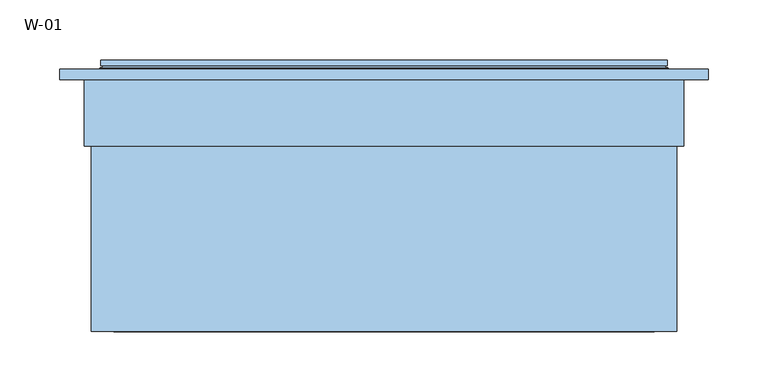
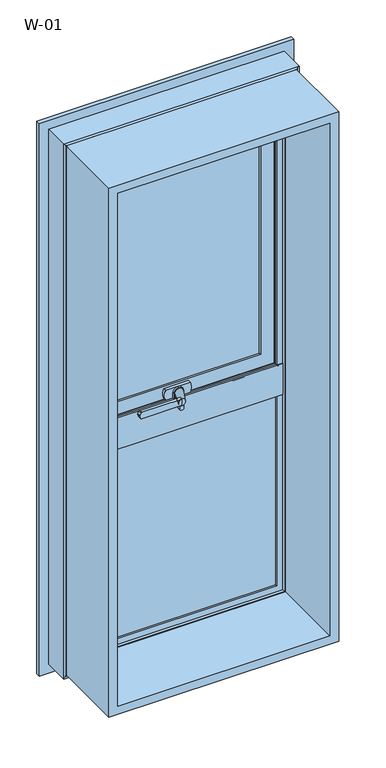
"""IFC4 building model written with IfcOpenShell, lengths in millimetres: window geometry, W-01."""

from ifc_helpers import new_model, si_unit, point, frame, frame_2d, origin, place, context, project, spatial, polyline, circle_curve, ellipse_curve, trimmed, segment, composite_curve, outline, extrude, source, transform, mapped, element, save
from ifc_brep_helpers import plane_surface, cylinder_surface, revolved_surface, spline_surface, advanced_brep


def w_01_c408fd17(model_context):
    return source(origin(), model_context, "Body", "SolidModel", [
        extrude(outline(polyline([(192.4, 81.9927036), (-192.4, 81.9927036), (-192.4, 107.9927036), (192.4, 107.9927036), (192.4, 81.9927036)])), frame((0.0, 0.0, 1052.4), z_axis=(0.0, 0.0, 1.0), x_axis=(1.0, 0.0, 0.0)), (0.0, 0.0, 1.0), 590.2),
        extrude(outline(polyline([(1693.8, 243.8), (1693.8, -243.8), (506.2, -243.8), (506.2, 243.8), (1693.8, 243.8)]), holes=[polyline([(524.7, 225.3), (524.7, -225.3), (1675.3, -225.3), (1675.3, 225.3), (524.7, 225.3)])]), frame((0.0, -100.0, 0.0), z_axis=(0.0, 1.0, 0.0), x_axis=(0.0, 0.0, 1.0)), (0.0, 0.0, 1.0), 165.9999813),
        extrude(outline(polyline([(223.0, 74.4), (-223.0, 74.4), (-223.0, 100.4), (223.0, 100.4), (223.0, 74.4)])), frame((0.0, 0.0, 527.0), z_axis=(0.0, 0.0, 1.0), x_axis=(1.0, 0.0, 0.0)), (0.0, 0.0, 1.0), 451.0),
        advanced_brep(
        [(-179.4, 115.3228058, 1629.4), (-177.2575034, 107.9927036, 1627.2575034), (-177.2575034, 107.9927036, 1067.7424966), (-179.4, 115.3228058, 1065.6), (-179.4, 126.5998961, 1629.4), (-179.4, 126.5998961, 1065.6), (-199.4, 107.9927036, 1649.4), (-199.4, 126.5998961, 1649.4), (-199.4, 126.5998961, 1045.6), (-199.4, 107.9927036, 1045.6), (177.2575034, 107.9927036, 1067.7424966), (179.4, 115.3228058, 1065.6), (179.4, 126.5998961, 1065.6), (199.4, 126.5998961, 1045.6), (199.4, 107.9927036, 1045.6), (177.2575034, 107.9927036, 1627.2575034), (179.4, 115.3228058, 1629.4), (179.4, 126.5998961, 1629.4), (199.4, 126.5998961, 1649.4), (199.4, 107.9927036, 1649.4)],
        [
            (0, 1, ellipse_curve(frame((-159.7925883, 117.0756419, 1609.7925883), z_axis=(0.7071067811865475, 0.0, 0.7071067811865475), x_axis=(0.7071067811865474, 0.0, -0.7071067811865476)), 27.839649, 19.6856046)),
            (1, 2),
            (2, 3, ellipse_curve(frame((-159.7925883, 117.0756419, 1085.2074117), z_axis=(0.7071067811865475, 0.0, -0.7071067811865475), x_axis=(-0.7071067811865474, 0.0, -0.7071067811865476)), 27.839649, 19.6856046)),
            (3, 0),
            (4, 0),
            (3, 5),
            (5, 4),
            (6, 7),
            (7, 8),
            (8, 9),
            (9, 6),
            (2, 10),
            (10, 11, ellipse_curve(frame((159.7925883, 117.0756419, 1085.2074117), z_axis=(0.7071067811865475, 0.0, 0.7071067811865475), x_axis=(0.7071067811865476, 0.0, -0.7071067811865474)), 27.839649, 19.6856046)),
            (11, 3),
            (11, 12),
            (12, 5),
            (8, 13),
            (13, 14),
            (14, 9),
            (10, 15),
            (15, 16, ellipse_curve(frame((159.7925883, 117.0756419, 1609.7925883), z_axis=(-0.7071067811865475, 0.0, 0.7071067811865475), x_axis=(0.7071067811865474, 0.0, 0.7071067811865476)), 27.839649, 19.6856046)),
            (16, 11),
            (16, 17),
            (17, 12),
            (13, 18),
            (18, 19),
            (19, 14),
            (19, 6),
            (1, 15),
            (0, 16),
            (4, 17),
            (7, 18),
        ],
        [
            revolved_surface(polyline([(-179.4781929, 117.0756419, 1065.5218071062468), (-179.4781929, 117.0756419, 1629.4781928937534)]), (-159.7925883, 117.0756419, 1649.4), (0.0, 0.0, -1.0)),
            plane_surface(frame((-179.4, 115.3228058, 1629.4), z_axis=(1.0, 0.0, 0.0), x_axis=(0.0, 0.0, -1.0))),
            plane_surface(frame((-199.4, 126.5998961, 1649.4), z_axis=(-1.0, 0.0, 0.0), x_axis=(0.0, 0.0, -1.0))),
            revolved_surface(polyline([(179.4781928937533, 117.0756419, 1065.5218071), (-179.4781928937533, 117.0756419, 1065.5218071)]), (-199.4, 117.0756419, 1085.2074117), (1.0, 0.0, 0.0)),
            plane_surface(frame((-179.4, 115.3228058, 1065.6), z_axis=(0.0, 0.0, 1.0), x_axis=(1.0, 0.0, 0.0))),
            plane_surface(frame((-199.4, 126.5998961, 1045.6), z_axis=(0.0, 0.0, -1.0), x_axis=(1.0, 0.0, 0.0))),
            revolved_surface(polyline([(179.4781929, 117.0756419, 1629.4781928937532), (179.4781929, 117.0756419, 1065.5218071062468)]), (159.7925883, 117.0756419, 1045.6), (0.0, 0.0, 1.0)),
            plane_surface(frame((179.4, 115.3228058, 1065.6), z_axis=(-1.0, 0.0, 0.0), x_axis=(0.0, 0.0, 1.0))),
            plane_surface(frame((199.4, 126.5998961, 1045.6), z_axis=(1.0, 0.0, 0.0), x_axis=(0.0, 0.0, 1.0))),
            plane_surface(frame((199.4, 107.9927036, 1649.4), z_axis=(0.0, -1.0, 0.0), x_axis=(-1.0, 0.0, 0.0))),
            revolved_surface(polyline([(-179.4781928937533, 117.0756419, 1629.4781929), (179.4781928937533, 117.0756419, 1629.4781929)]), (199.4, 117.0756419, 1609.7925883), (-1.0, 0.0, 0.0)),
            plane_surface(frame((179.4, 115.3228058, 1629.4), z_axis=(0.0, 0.0, -1.0), x_axis=(-1.0, 0.0, 0.0))),
            plane_surface(frame((179.4, 126.5998961, 1629.4), z_axis=(0.0, 1.0, 0.0), x_axis=(-1.0, 0.0, 0.0))),
            plane_surface(frame((199.4, 126.5998961, 1649.4), z_axis=(0.0, 0.0, 1.0), x_axis=(-1.0, 0.0, 0.0))),
        ],
        [
            (0, [[1, 2, 3, 4]]),
            (1, [[5, -4, 6, 7]]),
            (2, [[8, 9, 10, 11]]),
            (3, [[-3, 12, 13, 14]]),
            (4, [[-6, -14, 15, 16]]),
            (5, [[-10, 17, 18, 19]]),
            (6, [[-13, 20, 21, 22]]),
            (7, [[-15, -22, 23, 24]]),
            (8, [[-18, 25, 26, 27]]),
            (9, [[-19, -27, 28, -11], [29, -20, -12, -2]]),
            (10, [[-21, -29, -1, 30]]),
            (11, [[-23, -30, -5, 31]]),
            (12, [[32, -25, -17, -9], [-16, -24, -31, -7]]),
            (13, [[-26, -32, -8, -28]]),
        ],
    ),
        extrude(outline(composite_curve([segment(polyline([(1026.7, -8.432005), (1026.7, -5.567995)]), True, "CONTINUOUS"), segment(trimmed(circle_curve(frame_2d((1029.7, -5.567995)), 3.0), [point((1026.7, -5.567995))], [point((1029.5429921, -2.5721064))], False, "CARTESIAN"), True, "CONTINUOUS"), segment(polyline([(1029.5429921, -2.5721064), (1050.0, -1.5), (1050.0, -12.5), (1029.5429921, -11.4278936)]), True, "CONTINUOUS"), segment(trimmed(circle_curve(frame_2d((1029.7, -8.432005)), 3.0), [point((1029.5429921, -11.4278936))], [point((1026.7, -8.432005))], False, "CARTESIAN"), True, "CONTINUOUS")], self_intersect=False)), frame((0.0, 42.4998877, 0.0), z_axis=(0.0, 1.0, 0.0), x_axis=(0.0, 0.0, 1.0)), (0.0, 0.0, 1.0), 4.9),
        extrude(outline(composite_curve([segment(polyline([(1022.7, -3.7223739), (1022.7, 1.7223739)]), True, "CONTINUOUS"), segment(trimmed(circle_curve(frame_2d((1025.7, 1.7223739)), 3.0), [point((1022.7, 1.7223739))], [point((1025.5429921, 4.7182625))], False, "CARTESIAN"), True, "CONTINUOUS"), segment(polyline([(1025.5429921, 4.7182625), (1050.0, 6.0), (1050.0, -8.0), (1025.5429921, -6.7182625)]), True, "CONTINUOUS"), segment(trimmed(circle_curve(frame_2d((1025.7, -3.7223739)), 3.0), [point((1025.5429921, -6.7182625))], [point((1022.7, -3.7223739))], False, "CARTESIAN"), True, "CONTINUOUS")], self_intersect=False)), frame((0.0, 59.2998877, 0.0), z_axis=(0.0, 1.0, 0.0), x_axis=(0.0, 0.0, 1.0)), (0.0, 0.0, 1.0), 5.3),
        extrude(outline(composite_curve([segment(trimmed(circle_curve(frame_2d((1055.2, -96.7659341)), 2.0), [point((1057.2, -96.7659341))], [point((1055.9427814, -98.6228875))], False, "CARTESIAN"), True, "CONTINUOUS"), segment(polyline([(1055.9427814, -98.6228875), (1051.4855627, -100.4057749)]), True, "CONTINUOUS"), segment(trimmed(circle_curve(frame_2d((1050.0, -96.6918682)), 4.0), [point((1051.4855627, -100.4057749))], [point((1048.5144373, -100.4057749))], False, "CARTESIAN"), True, "CONTINUOUS"), segment(polyline([(1048.5144373, -100.4057749), (1044.0572186, -98.6228875)]), True, "CONTINUOUS"), segment(trimmed(circle_curve(frame_2d((1044.8, -96.7659341)), 2.0), [point((1044.0572186, -98.6228875))], [point((1042.8, -96.7659341))], False, "CARTESIAN"), True, "CONTINUOUS"), segment(polyline([(1042.8, -96.7659341), (1042.8, -11.0), (1057.2, -11.0), (1057.2, -96.7659341)]), True, "CONTINUOUS")], self_intersect=False)), frame((0.0, 34.5998877, 0.0), z_axis=(0.0, 1.0, 0.0), x_axis=(0.0, 0.0, 1.0)), (0.0, 0.0, 1.0), 7.0),
        extrude(outline(composite_curve([segment(trimmed(circle_curve(frame_2d((1050.0, 0.0)), 7.0), [point((1050.0, 7.0))], [point((1050.0, -7.0))], False, "CARTESIAN"), True, "CONTINUOUS"), segment(trimmed(circle_curve(frame_2d((1050.0, 0.0)), 7.0), [point((1050.0, -7.0))], [point((1050.0, 7.0))], False, "CARTESIAN"), True, "CONTINUOUS")], self_intersect=False)), frame((0.0, 64.5998877, 0.0), z_axis=(0.0, 1.0, 0.0), x_axis=(0.0, 0.0, 1.0)), (0.0, 0.0, 1.0), 1.5),
        advanced_brep(
        [(9.0, 64.5998877, 1050.0), (-3.5, 34.5998877, 1050.0), (-18.5, 34.5998877, 1050.0), (-9.0, 64.5998877, 1050.0)],
        [
            (0, 1),
            (1, 2, circle_curve(frame((-11.0, 34.5998877, 1050.0), z_axis=(0.0, 1.0, 0.0), x_axis=(-1.0, 0.0, 0.0)), 7.5)),
            (2, 3),
            (3, 0, circle_curve(frame((0.0, 64.5998877, 1050.0), z_axis=(0.0, -1.0, 0.0), x_axis=(-1.0, 0.0, 0.0)), 9.0)),
            (1, 2, circle_curve(frame((-11.0, 34.5998877, 1050.0), z_axis=(0.0, -1.0, 0.0), x_axis=(-1.0, 0.0, 0.0)), 7.5)),
            (3, 0, circle_curve(frame((0.0, 64.5998877, 1050.0), z_axis=(0.0, 1.0, 0.0), x_axis=(-1.0, 0.0, 0.0)), 9.0)),
        ],
        [
            spline_surface(1, 2, [[(9.0, 64.5998877, 1050.0), (9.0, 64.5998877, 1041.0), (0.0, 64.5998877, 1041.0), (-9.0, 64.5998877, 1041.0), (-9.0, 64.5998877, 1050.0)], [(-3.5, 34.5998877, 1050.0), (-3.5, 34.5998877, 1042.5), (-11.0, 34.5998877, 1042.5), (-18.5, 34.5998877, 1042.5), (-18.5, 34.5998877, 1050.0)]], [2, 2], [3, 2, 3], [0.0, 1.0], [0.0, 1.0, 2.0], weights=[[1.0, 0.7071067811865476, 1.0, 0.7071067811865476, 1.0], [1.0, 0.7071067811865476, 1.0, 0.7071067811865476, 1.0]]),
            plane_surface(frame((-11.0, 34.5998877, 1050.0), z_axis=(0.0, -1.0, 0.0), x_axis=(0.0, 0.0, -1.0))),
            plane_surface(frame((0.0, 64.5998877, 1050.0), z_axis=(0.0, 1.0, 0.0), x_axis=(0.0, 0.0, -1.0))),
            spline_surface(1, 2, [[(-9.0, 64.5998877, 1050.0), (-9.0, 64.5998877, 1059.0), (0.0, 64.5998877, 1059.0), (9.0, 64.5998877, 1059.0), (9.0, 64.5998877, 1050.0)], [(-18.5, 34.5998877, 1050.0), (-18.5, 34.5998877, 1057.5), (-11.0, 34.5998877, 1057.5), (-3.5, 34.5998877, 1057.5), (-3.5, 34.5998877, 1050.0)]], [2, 2], [3, 2, 3], [0.0, 1.0], [0.0, 1.0, 2.0], weights=[[1.0, 0.7071067811865476, 1.0, 0.7071067811865476, 1.0], [1.0, 0.7071067811865476, 1.0, 0.7071067811865476, 1.0]]),
        ],
        [
            (0, [[1, 2, 3, 4]]),
            (1, [[5, -2]]),
            (2, [[-4, 6]]),
            (3, [[-3, -5, -1, -6]]),
        ],
    ),
        extrude(outline(composite_curve([segment(trimmed(circle_curve(frame_2d((1050.0, 0.0)), 10.6), [point((1050.0, 10.6))], [point((1050.0, -10.6))], False, "CARTESIAN"), True, "CONTINUOUS"), segment(polyline([(1050.0, -10.6), (1038.95, -10.6), (1038.95, 10.6), (1050.0, 10.6)]), True, "CONTINUOUS")], self_intersect=False)), frame((0.0, 66.0998877, 0.0), z_axis=(0.0, 1.0, 0.0), x_axis=(0.0, 0.0, 1.0)), (0.0, 0.0, 1.0), 2.8),
        extrude(outline(composite_curve([segment(polyline([(1038.95, -26.0), (1038.95, 26.0)]), True, "CONTINUOUS"), segment(trimmed(circle_curve(frame_2d((1050.0, 3.2967472)), 25.2495582), [point((1038.95, 26.0))], [point((1061.05, 26.0))], False, "CARTESIAN"), True, "CONTINUOUS"), segment(polyline([(1061.05, 26.0), (1061.05, -26.0)]), True, "CONTINUOUS"), segment(trimmed(circle_curve(frame_2d((1050.0, -3.2967472)), 25.2495582), [point((1061.05, -26.0))], [point((1038.95, -26.0))], False, "CARTESIAN"), True, "CONTINUOUS")], self_intersect=False)), frame((0.0, 68.8998877, 0.0), z_axis=(0.0, 1.0, 0.0), x_axis=(0.0, 0.0, 1.0)), (0.0, 0.0, 1.0), 6.7),
        advanced_brep(
        [(235.8588651, 121.9998959, 1685.8588651), (235.8588651, 121.9998959, 1009.1411349), (235.8588651, 126.5998959, 1009.1411349), (235.8588651, 126.5998959, 1685.8588651), (-235.8588651, 126.5998959, 1685.8588651), (-235.8588651, 126.5998959, 1009.1411349), (199.3588651, 126.5998959, 1649.3588651), (-199.3588651, 126.5998959, 1649.3588651), (-199.3588651, 126.5998959, 1045.6411349), (199.3588651, 126.5998959, 1045.6411349), (-235.8588651, 121.9998959, 1009.1411349), (-235.8588651, 121.9998959, 1685.8588651), (-233.7537664, 121.9998959, 1683.7537664), (233.7537664, 121.9998959, 1683.7537664), (233.7537664, 121.9998959, 1011.2462336), (-233.7537664, 121.9998959, 1011.2462336), (236.4637148, 119.9946704, 1686.4637148), (236.4637148, 119.9946704, 1008.5362852), (-236.4637148, 119.9946704, 1008.5362852), (237.2086873, 118.9999375, 1687.2086873), (237.2086873, 118.9999375, 1007.7913127), (-237.2086873, 118.9999375, 1007.7913127), (-237.2086873, 118.9999375, 1687.2086873), (-218.3588678, 118.9999375, 1668.3588678), (218.3588678, 118.9999375, 1668.3588678), (218.3588678, 118.9999375, 1026.6411322), (-218.3588678, 118.9999375, 1026.6411322), (218.3588678, 76.0998843, 1668.3588678), (218.3588678, 76.0998843, 1026.6411322), (-218.3588678, 76.0998843, 1026.6411322), (217.8588679, 75.5998845, 1667.8588679), (217.8588679, 75.5998845, 1027.1411321), (-217.8588679, 75.5998845, 1027.1411321), (218.144223, 74.6078109, 1668.144223), (218.144223, 74.6078109, 1026.855777), (-218.144223, 74.6078109, 1026.855777), (215.4347904, 72.6034283, 1665.4347904), (215.4347904, 72.6034283, 1029.5652096), (-215.4347904, 72.6034283, 1029.5652096), (-215.4347904, 72.6034283, 1665.4347904), (-212.0349667, 72.6034283, 1662.0349667), (212.0349667, 72.6034283, 1662.0349667), (212.0349667, 72.6034283, 1032.9650333), (-212.0349667, 72.6034283, 1032.9650333), (208.8054323, 74.6078109, 1658.8054323), (208.8054323, 74.6078109, 1036.1945677), (-208.8054323, 74.6078109, 1036.1945677), (208.340576, 75.5998877, 1658.340576), (208.340576, 75.5998877, 1036.659424), (-208.340576, 75.5998877, 1036.659424), (-208.340576, 75.5998877, 1658.340576), (-179.3588709, 75.5998877, 1629.3588709), (179.3588709, 75.5998877, 1629.3588709), (179.3588709, 75.5998877, 1065.6411291), (-179.3588709, 75.5998877, 1065.6411291), (179.3588709, 80.1998877, 1629.3588709), (179.3588709, 80.1998877, 1065.6411291), (-179.3588709, 80.1998877, 1065.6411291), (-199.3588651, 80.1998877, 1649.3588651), (199.3588651, 80.1998877, 1649.3588651), (199.3588651, 80.1998877, 1045.6411349), (-199.3588651, 80.1998877, 1045.6411349), (-179.3588709, 80.1998877, 1629.3588709), (-236.4637148, 119.9946704, 1686.4637148), (-218.3588678, 76.0998843, 1668.3588678), (-217.8588679, 75.5998845, 1667.8588679), (-218.144223, 74.6078109, 1668.144223), (-208.8054323, 74.6078109, 1658.8054323)],
        [
            (0, 1),
            (1, 2),
            (2, 3),
            (3, 0),
            (4, 3),
            (2, 5),
            (5, 4),
            (6, 7),
            (7, 8),
            (8, 9),
            (9, 6),
            (1, 10),
            (10, 5),
            (0, 11),
            (11, 10),
            (12, 13),
            (13, 14),
            (14, 15),
            (15, 12),
            (16, 17),
            (17, 14, ellipse_curve(frame((237.5848432, 124.3435951, 1007.4151568), z_axis=(-0.7071067811865475, 0.0, -0.7071067811865475), x_axis=(0.7071067811865474, 0.0, -0.7071067811865476)), 6.3513896, 4.4911107)),
            (13, 16, ellipse_curve(frame((237.5848432, 124.3435951, 1687.5848432), z_axis=(-0.7071067811865475, 0.0, 0.7071067811865475), x_axis=(-0.7071067811865474, 0.0, -0.7071067811865476)), 6.3513896, 4.4911107)),
            (17, 18),
            (18, 15, ellipse_curve(frame((-237.5848432, 124.3435951, 1007.4151568), z_axis=(-0.7071067811865475, 0.0, 0.7071067811865475), x_axis=(-0.7071067811865476, 0.0, -0.7071067811865474)), 6.3513896, 4.4911107)),
            (19, 20),
            (20, 17),
            (16, 19),
            (20, 21),
            (21, 18),
            (19, 22),
            (22, 21),
            (23, 24),
            (24, 25),
            (25, 26),
            (26, 23),
            (27, 28),
            (28, 25),
            (24, 27),
            (28, 29),
            (29, 26),
            (30, 31),
            (31, 28, ellipse_curve(frame((217.8588679, 76.0998843, 1027.1411321), z_axis=(0.7071067811865475, 0.0, 0.7071067811865475), x_axis=(-0.7071067811865474, 0.0, 0.7071067811865476)), 0.7071066, 0.4999999)),
            (27, 30, ellipse_curve(frame((217.8588679, 76.0998843, 1667.8588679), z_axis=(0.7071067811865475, 0.0, -0.7071067811865475), x_axis=(0.7071067811865474, 0.0, 0.7071067811865476)), 0.7071066, 0.4999999)),
            (31, 32),
            (32, 29, ellipse_curve(frame((-217.8588679, 76.0998843, 1027.1411321), z_axis=(0.7071067811865475, 0.0, -0.7071067811865475), x_axis=(0.7071067811865476, 0.0, 0.7071067811865474)), 0.7071066, 0.4999999)),
            (33, 34),
            (34, 31),
            (30, 33),
            (34, 35),
            (35, 32),
            (36, 37),
            (37, 34, ellipse_curve(frame((219.2653514, 70.2588862, 1025.7346486), z_axis=(-0.7071067811865475, 0.0, -0.7071067811865475), x_axis=(0.7071067811865474, 0.0, -0.7071067811865476)), 6.3513896, 4.4911107)),
            (33, 36, ellipse_curve(frame((219.2653514, 70.2588862, 1669.2653514), z_axis=(-0.7071067811865475, 0.0, 0.7071067811865475), x_axis=(-0.7071067811865474, 0.0, -0.7071067811865476)), 6.3513896, 4.4911107)),
            (37, 38),
            (38, 35, ellipse_curve(frame((-219.2653514, 70.2588862, 1025.7346486), z_axis=(-0.7071067811865475, 0.0, 0.7071067811865475), x_axis=(-0.7071067811865476, 0.0, -0.7071067811865474)), 6.3513896, 4.4911107)),
            (36, 39),
            (39, 38),
            (40, 41),
            (41, 42),
            (42, 43),
            (43, 40),
            (44, 45),
            (45, 42, ellipse_curve(frame((208.5540914, 70.5988781, 1036.4459086), z_axis=(-0.7071067811865475, 0.0, -0.7071067811865475), x_axis=(0.7071067811865474, 0.0, -0.7071067811865476)), 5.6806187, 4.016804)),
            (41, 44, ellipse_curve(frame((208.5540914, 70.5988781, 1658.5540914), z_axis=(-0.7071067811865475, 0.0, 0.7071067811865475), x_axis=(-0.7071067811865474, 0.0, -0.7071067811865476)), 5.6806187, 4.016804)),
            (45, 46),
            (46, 43, ellipse_curve(frame((-208.5540914, 70.5988781, 1036.4459086), z_axis=(-0.7071067811865475, 0.0, 0.7071067811865475), x_axis=(-0.7071067811865476, 0.0, -0.7071067811865474)), 5.6806187, 4.016804)),
            (47, 48),
            (48, 45),
            (44, 47),
            (48, 49),
            (49, 46),
            (47, 50),
            (50, 49),
            (51, 52),
            (52, 53),
            (53, 54),
            (54, 51),
            (55, 56),
            (56, 53),
            (52, 55),
            (56, 57),
            (57, 54),
            (58, 59),
            (59, 60),
            (60, 61),
            (61, 58),
            (55, 62),
            (62, 57),
            (9, 60),
            (59, 6),
            (8, 61),
            (11, 4),
            (18, 63),
            (63, 12, ellipse_curve(frame((-237.5848432, 124.3435951, 1687.5848432), z_axis=(0.7071067811865475, 0.0, 0.7071067811865475), x_axis=(-0.7071067811865474, 0.0, 0.7071067811865476)), 6.3513896, 4.4911107)),
            (22, 63),
            (29, 64),
            (64, 23),
            (32, 65),
            (65, 64, ellipse_curve(frame((-217.8588679, 76.0998843, 1667.8588679), z_axis=(-0.7071067811865475, 0.0, -0.7071067811865475), x_axis=(0.7071067811865474, 0.0, -0.7071067811865476)), 0.7071066, 0.4999999)),
            (35, 66),
            (66, 65),
            (39, 66, ellipse_curve(frame((-219.2653514, 70.2588862, 1669.2653514), z_axis=(0.7071067811865475, 0.0, 0.7071067811865475), x_axis=(-0.7071067811865474, 0.0, 0.7071067811865476)), 6.3513896, 4.4911107)),
            (46, 67),
            (67, 40, ellipse_curve(frame((-208.5540914, 70.5988781, 1658.5540914), z_axis=(0.7071067811865475, 0.0, 0.7071067811865475), x_axis=(-0.7071067811865474, 0.0, 0.7071067811865476)), 5.6806187, 4.016804)),
            (50, 67),
            (62, 51),
            (7, 58),
            (63, 16),
            (64, 27),
            (65, 30),
            (66, 33),
            (67, 44),
        ],
        [
            plane_surface(frame((235.8588651, 126.5998959, 1685.8588651), z_axis=(1.0, 0.0, 0.0), x_axis=(0.0, 0.0, -1.0))),
            plane_surface(frame((-199.3588651, 126.5998959, 1045.6411349), z_axis=(0.0, 1.0, 0.0), x_axis=(0.0, 0.0, 1.0))),
            plane_surface(frame((235.8588651, 126.5998959, 1009.1411349), z_axis=(0.0, 0.0, -1.0), x_axis=(-1.0, 0.0, 0.0))),
            plane_surface(frame((-235.8588651, 121.9998959, 1009.1411349), z_axis=(0.0, -1.0, 0.0), x_axis=(0.0, 0.0, 1.0))),
            revolved_surface(polyline([(242.0759539, 124.3435951, 1002.9240461438823), (242.0759539, 124.3435951, 1692.0759538561178)]), (237.5848432, 124.3435951, 1700.0), (0.0, 0.0, -1.0)),
            revolved_surface(polyline([(-242.07595385611774, 124.3435951, 1002.9240460999999), (242.0759538561177, 124.3435951, 1002.9240460999999)]), (250.0, 124.3435951, 1007.4151568), (-1.0, 0.0, 0.0)),
            plane_surface(frame((236.4637148, 119.9946704, 1686.4637148), z_axis=(0.8004158635848707, 0.5994451145198247, 0.0), x_axis=(0.0, 0.0, -1.0))),
            plane_surface(frame((236.4637148, 119.9946704, 1008.5362852), z_axis=(0.0, 0.5994451145198296, -0.800415863584867), x_axis=(-1.0, 0.0, 0.0))),
            plane_surface(frame((-237.2086873, 118.9999375, 1007.7913127), z_axis=(0.0, -1.0, 0.0), x_axis=(0.0, 0.0, 1.0))),
            plane_surface(frame((218.3588678, 118.9999375, 1668.3588678), z_axis=(1.0, 0.0, 0.0), x_axis=(0.0, 0.0, -1.0))),
            plane_surface(frame((218.3588678, 118.9999375, 1026.6411322), z_axis=(0.0, 0.0, -1.0), x_axis=(-1.0, 0.0, 0.0))),
            cylinder_surface(frame((217.8588679, 76.0998843, 1700.0), z_axis=(0.0, 0.0, 1.0), x_axis=(1.0, 0.0, 0.0)), 0.4999999),
            cylinder_surface(frame((250.0, 76.0998843, 1027.1411321), z_axis=(1.0, 0.0, 0.0), x_axis=(0.0, 0.0, -1.0)), 0.4999999),
            plane_surface(frame((217.8588679, 75.5998845, 1667.8588679), z_axis=(0.9610348327667624, 0.27642729642522856, 0.0), x_axis=(0.0, 0.0, -1.0))),
            plane_surface(frame((217.8588679, 75.5998845, 1027.1411321), z_axis=(0.0, 0.27642729642523445, -0.9610348327667607), x_axis=(-1.0, 0.0, 0.0))),
            revolved_surface(polyline([(223.7564621, 70.2588862, 1021.2435379438822), (223.7564621, 70.2588862, 1673.756462056118)]), (219.2653514, 70.2588862, 1700.0), (0.0, 0.0, -1.0)),
            revolved_surface(polyline([(-223.7564620561177, 70.2588862, 1021.2435378999999), (223.7564620561177, 70.2588862, 1021.2435378999999)]), (250.0, 70.2588862, 1025.7346486), (-1.0, 0.0, 0.0)),
            plane_surface(frame((-215.4347904, 72.6034283, 1029.5652096), z_axis=(0.0, -1.0, 0.0), x_axis=(0.0, 0.0, 1.0))),
            revolved_surface(polyline([(212.5708954, 70.5988781, 1032.4291045958948), (212.5708954, 70.5988781, 1662.5708954041052)]), (208.5540914, 70.5988781, 1700.0), (0.0, 0.0, -1.0)),
            revolved_surface(polyline([(-212.5708954041051, 70.5988781, 1032.4291045999998), (212.5708954041051, 70.5988781, 1032.4291045999998)]), (250.0, 70.5988781, 1036.4459086), (-1.0, 0.0, 0.0)),
            plane_surface(frame((208.8054323, 74.6078109, 1658.8054323), z_axis=(-0.9055219642805072, -0.4242993898246519, 0.0), x_axis=(0.0, 0.0, -1.0))),
            plane_surface(frame((208.8054323, 74.6078109, 1036.1945677), z_axis=(0.0, -0.4242993898246574, 0.9055219642805047), x_axis=(-1.0, 0.0, 0.0))),
            plane_surface(frame((-208.340576, 75.5998877, 1036.659424), z_axis=(0.0, -1.0, 0.0), x_axis=(0.0, 0.0, 1.0))),
            plane_surface(frame((179.3588709, 75.5998877, 1629.3588709), z_axis=(-1.0, 0.0, 0.0), x_axis=(0.0, 0.0, -1.0))),
            plane_surface(frame((179.3588709, 75.5998877, 1065.6411291), z_axis=(0.0, 0.0, 1.0), x_axis=(-1.0, 0.0, 0.0))),
            plane_surface(frame((-179.3588709, 80.1998877, 1065.6411291), z_axis=(0.0, 1.0, 0.0), x_axis=(0.0, 0.0, 1.0))),
            plane_surface(frame((199.3588651, 80.1998877, 1649.3588651), z_axis=(-1.0, 0.0, 0.0), x_axis=(0.0, 0.0, -1.0))),
            plane_surface(frame((199.3588651, 80.1998877, 1045.6411349), z_axis=(0.0, 0.0, 1.0), x_axis=(-1.0, 0.0, 0.0))),
            plane_surface(frame((-235.8588651, 126.5998959, 1009.1411349), z_axis=(-1.0, 0.0, 0.0), x_axis=(0.0, 0.0, 1.0))),
            revolved_surface(polyline([(-242.0759539, 124.3435951, 1692.0759538561178), (-242.0759539, 124.3435951, 1002.9240461438823)]), (-237.5848432, 124.3435951, 995.0), (0.0, 0.0, 1.0)),
            plane_surface(frame((-236.4637148, 119.9946704, 1008.5362852), z_axis=(-0.8004158635848634, 0.5994451145198345, 0.0), x_axis=(0.0, 0.0, 1.0))),
            plane_surface(frame((-218.3588678, 118.9999375, 1026.6411322), z_axis=(-1.0, 0.0, 0.0), x_axis=(0.0, 0.0, 1.0))),
            cylinder_surface(frame((-217.8588679, 76.0998843, 995.0), z_axis=(0.0, 0.0, -1.0), x_axis=(-1.0, 0.0, 0.0)), 0.4999999),
            plane_surface(frame((-217.8588679, 75.5998845, 1027.1411321), z_axis=(-0.961034832766759, 0.27642729642524033, 0.0), x_axis=(0.0, 0.0, 1.0))),
            revolved_surface(polyline([(-223.7564621, 70.2588862, 1673.756462056118), (-223.7564621, 70.2588862, 1021.2435379438822)]), (-219.2653514, 70.2588862, 995.0), (0.0, 0.0, 1.0)),
            revolved_surface(polyline([(-212.5708954, 70.5988781, 1662.5708954041052), (-212.5708954, 70.5988781, 1032.4291045958948)]), (-208.5540914, 70.5988781, 995.0), (0.0, 0.0, 1.0)),
            plane_surface(frame((-208.8054323, 74.6078109, 1036.1945677), z_axis=(0.9055219642805021, -0.424299389824663, 0.0), x_axis=(0.0, 0.0, 1.0))),
            plane_surface(frame((-179.3588709, 75.5998877, 1065.6411291), z_axis=(1.0, 0.0, 0.0), x_axis=(0.0, 0.0, 1.0))),
            plane_surface(frame((-199.3588651, 80.1998877, 1045.6411349), z_axis=(1.0, 0.0, 0.0), x_axis=(0.0, 0.0, 1.0))),
            plane_surface(frame((-235.8588651, 126.5998959, 1685.8588651), z_axis=(0.0, 0.0, 1.0), x_axis=(1.0, 0.0, 0.0))),
            revolved_surface(polyline([(242.07595385611774, 124.3435951, 1692.0759539), (-242.0759538561177, 124.3435951, 1692.0759539)]), (-250.0, 124.3435951, 1687.5848432), (1.0, 0.0, 0.0)),
            plane_surface(frame((-236.4637148, 119.9946704, 1686.4637148), z_axis=(0.0, 0.5994451145198296, 0.800415863584867), x_axis=(1.0, 0.0, 0.0))),
            plane_surface(frame((-218.3588678, 118.9999375, 1668.3588678), z_axis=(0.0, 0.0, 1.0), x_axis=(1.0, 0.0, 0.0))),
            cylinder_surface(frame((-250.0, 76.0998843, 1667.8588679), z_axis=(-1.0, 0.0, 0.0), x_axis=(0.0, 0.0, 1.0)), 0.4999999),
            plane_surface(frame((-217.8588679, 75.5998845, 1667.8588679), z_axis=(0.0, 0.27642729642523445, 0.9610348327667607), x_axis=(1.0, 0.0, 0.0))),
            revolved_surface(polyline([(223.7564620561177, 70.2588862, 1673.7564621000001), (-223.7564620561177, 70.2588862, 1673.7564621000001)]), (-250.0, 70.2588862, 1669.2653514), (1.0, 0.0, 0.0)),
            revolved_surface(polyline([(212.5708954041051, 70.5988781, 1662.5708954000002), (-212.5708954041051, 70.5988781, 1662.5708954000002)]), (-250.0, 70.5988781, 1658.5540914), (1.0, 0.0, 0.0)),
            plane_surface(frame((-208.8054323, 74.6078109, 1658.8054323), z_axis=(0.0, -0.4242993898246574, -0.9055219642805047), x_axis=(1.0, 0.0, 0.0))),
            plane_surface(frame((-179.3588709, 75.5998877, 1629.3588709), z_axis=(0.0, 0.0, -1.0), x_axis=(1.0, 0.0, 0.0))),
            plane_surface(frame((-199.3588651, 80.1998877, 1649.3588651), z_axis=(0.0, 0.0, -1.0), x_axis=(1.0, 0.0, 0.0))),
        ],
        [
            (0, [[1, 2, 3, 4]]),
            (1, [[5, -3, 6, 7], [8, 9, 10, 11]]),
            (2, [[12, 13, -6, -2]]),
            (3, [[14, 15, -12, -1], [16, 17, 18, 19]]),
            (4, [[20, 21, -17, 22]]),
            (5, [[23, 24, -18, -21]]),
            (6, [[25, 26, -20, 27]]),
            (7, [[28, 29, -23, -26]]),
            (8, [[30, 31, -28, -25], [32, 33, 34, 35]]),
            (9, [[36, 37, -33, 38]]),
            (10, [[39, 40, -34, -37]]),
            (11, [[41, 42, -36, 43]]),
            (12, [[44, 45, -39, -42]]),
            (13, [[46, 47, -41, 48]]),
            (14, [[49, 50, -44, -47]]),
            (15, [[51, 52, -46, 53]]),
            (16, [[54, 55, -49, -52]]),
            (17, [[56, 57, -54, -51], [58, 59, 60, 61]]),
            (18, [[62, 63, -59, 64]]),
            (19, [[65, 66, -60, -63]]),
            (20, [[67, 68, -62, 69]]),
            (21, [[70, 71, -65, -68]]),
            (22, [[72, 73, -70, -67], [74, 75, 76, 77]]),
            (23, [[78, 79, -75, 80]]),
            (24, [[81, 82, -76, -79]]),
            (25, [[83, 84, 85, 86], [87, 88, -81, -78]]),
            (26, [[-11, 89, -84, 90]]),
            (27, [[-10, 91, -85, -89]]),
            (28, [[-15, 92, -7, -13]]),
            (29, [[93, 94, -19, -24]]),
            (30, [[-31, 95, -93, -29]]),
            (31, [[96, 97, -35, -40]]),
            (32, [[98, 99, -96, -45]]),
            (33, [[100, 101, -98, -50]]),
            (34, [[-57, 102, -100, -55]]),
            (35, [[103, 104, -61, -66]]),
            (36, [[-73, 105, -103, -71]]),
            (37, [[-88, 106, -77, -82]]),
            (38, [[-9, 107, -86, -91]]),
            (39, [[-14, -4, -5, -92]]),
            (40, [[108, -22, -16, -94]]),
            (41, [[-30, -27, -108, -95]]),
            (42, [[109, -38, -32, -97]]),
            (43, [[110, -43, -109, -99]]),
            (44, [[111, -48, -110, -101]]),
            (45, [[-56, -53, -111, -102]]),
            (46, [[112, -64, -58, -104]]),
            (47, [[-72, -69, -112, -105]]),
            (48, [[-87, -80, -74, -106]]),
            (49, [[-8, -90, -83, -107]]),
        ],
    ),
        extrude(outline(polyline([(68.9990172, 964.9999652), (68.9990172, 1035.0000026), (72.5990172, 1035.0000026), (72.5990172, 1015.0000187), (118.9999375, 1015.0000187), (118.9999375, 984.9999813), (72.5990172, 984.9999813), (72.5990172, 964.9999652), (68.9990172, 964.9999652)])), frame((-230.0, 0.0, 0.0), z_axis=(1.0, 0.0, 0.0), x_axis=(0.0, 1.0, 0.0)), (0.0, 0.0, 1.0), 460.0),
        advanced_brep(
        [(-210.0, 107.7228474, 965.0), (-207.8575034, 100.3927452, 962.8575034), (-207.8575034, 100.3927452, 542.1424966), (-210.0, 107.7228474, 540.0), (-210.0, 118.9999377, 965.0), (-210.0, 118.9999377, 540.0), (-230.0, 100.3927452, 985.0), (-230.0, 118.9999377, 985.0), (-230.0, 118.9999377, 520.0), (-230.0, 100.3927452, 520.0), (207.8575034, 100.3927452, 542.1424966), (210.0, 107.7228474, 540.0), (210.0, 118.9999377, 540.0), (230.0, 118.9999377, 520.0), (230.0, 100.3927452, 520.0), (207.8575034, 100.3927452, 962.8575034), (210.0, 107.7228474, 965.0), (210.0, 118.9999377, 965.0), (230.0, 118.9999377, 985.0), (230.0, 100.3927452, 985.0)],
        [
            (0, 1, ellipse_curve(frame((-190.3925883, 109.4756835, 945.3925883), z_axis=(0.7071067811865475, 0.0, 0.7071067811865475), x_axis=(0.7071067811865474, 0.0, -0.7071067811865476)), 27.839649, 19.6856046)),
            (1, 2),
            (2, 3, ellipse_curve(frame((-190.3925883, 109.4756835, 559.6074117), z_axis=(0.7071067811865475, 0.0, -0.7071067811865475), x_axis=(-0.7071067811865474, 0.0, -0.7071067811865476)), 27.839649, 19.6856046)),
            (3, 0),
            (4, 0),
            (3, 5),
            (5, 4),
            (6, 7),
            (7, 8),
            (8, 9),
            (9, 6),
            (2, 10),
            (10, 11, ellipse_curve(frame((190.3925883, 109.4756835, 559.6074117), z_axis=(0.7071067811865475, 0.0, 0.7071067811865475), x_axis=(0.7071067811865476, 0.0, -0.7071067811865474)), 27.839649, 19.6856046)),
            (11, 3),
            (11, 12),
            (12, 5),
            (8, 13),
            (13, 14),
            (14, 9),
            (10, 15),
            (15, 16, ellipse_curve(frame((190.3925883, 109.4756835, 945.3925883), z_axis=(-0.7071067811865475, 0.0, 0.7071067811865475), x_axis=(0.7071067811865474, 0.0, 0.7071067811865476)), 27.839649, 19.6856046)),
            (16, 11),
            (16, 17),
            (17, 12),
            (13, 18),
            (18, 19),
            (19, 14),
            (19, 6),
            (1, 15),
            (0, 16),
            (4, 17),
            (7, 18),
        ],
        [
            revolved_surface(polyline([(-210.0781929, 109.4756835, 539.9218071062467), (-210.0781929, 109.4756835, 965.0781928937533)]), (-190.3925883, 109.4756835, 985.0), (0.0, 0.0, -1.0)),
            plane_surface(frame((-210.0, 107.7228474, 965.0), z_axis=(1.0, 0.0, 0.0), x_axis=(0.0, 0.0, -1.0))),
            plane_surface(frame((-230.0, 118.9999377, 985.0), z_axis=(-1.0, 0.0, 0.0), x_axis=(0.0, 0.0, -1.0))),
            revolved_surface(polyline([(210.07819289375328, 109.4756835, 539.9218070999999), (-210.07819289375328, 109.4756835, 539.9218070999999)]), (-230.0, 109.4756835, 559.6074117), (1.0, 0.0, 0.0)),
            plane_surface(frame((-210.0, 107.7228474, 540.0), z_axis=(0.0, 0.0, 1.0), x_axis=(1.0, 0.0, 0.0))),
            plane_surface(frame((-230.0, 118.9999377, 520.0), z_axis=(0.0, 0.0, -1.0), x_axis=(1.0, 0.0, 0.0))),
            revolved_surface(polyline([(210.0781929, 109.4756835, 965.0781928937533), (210.0781929, 109.4756835, 539.9218071062467)]), (190.3925883, 109.4756835, 520.0), (0.0, 0.0, 1.0)),
            plane_surface(frame((210.0, 107.7228474, 540.0), z_axis=(-1.0, 0.0, 0.0), x_axis=(0.0, 0.0, 1.0))),
            plane_surface(frame((230.0, 118.9999377, 520.0), z_axis=(1.0, 0.0, 0.0), x_axis=(0.0, 0.0, 1.0))),
            plane_surface(frame((230.0, 100.3927452, 985.0), z_axis=(0.0, -1.0, 0.0), x_axis=(-1.0, 0.0, 0.0))),
            revolved_surface(polyline([(-210.07819289375328, 109.4756835, 965.0781929000001), (210.07819289375328, 109.4756835, 965.0781929000001)]), (230.0, 109.4756835, 945.3925883), (-1.0, 0.0, 0.0)),
            plane_surface(frame((210.0, 107.7228474, 965.0), z_axis=(0.0, 0.0, -1.0), x_axis=(-1.0, 0.0, 0.0))),
            plane_surface(frame((210.0, 118.9999377, 965.0), z_axis=(0.0, 1.0, 0.0), x_axis=(-1.0, 0.0, 0.0))),
            plane_surface(frame((230.0, 118.9999377, 985.0), z_axis=(0.0, 0.0, 1.0), x_axis=(-1.0, 0.0, 0.0))),
        ],
        [
            (0, [[1, 2, 3, 4]]),
            (1, [[5, -4, 6, 7]]),
            (2, [[8, 9, 10, 11]]),
            (3, [[-3, 12, 13, 14]]),
            (4, [[-6, -14, 15, 16]]),
            (5, [[-10, 17, 18, 19]]),
            (6, [[-13, 20, 21, 22]]),
            (7, [[-15, -22, 23, 24]]),
            (8, [[-18, 25, 26, 27]]),
            (9, [[-19, -27, 28, -11], [29, -20, -12, -2]]),
            (10, [[-21, -29, -1, 30]]),
            (11, [[-23, -30, -5, 31]]),
            (12, [[32, -25, -17, -9], [-16, -24, -31, -7]]),
            (13, [[-26, -32, -8, -28]]),
        ],
    ),
        advanced_brep(
        [(270.000038, 110.0, 1720.000038), (270.000038, 110.0, 479.999962), (270.000038, 118.9999375, 479.999962), (270.000038, 118.9999375, 1720.000038), (-270.000038, 118.9999375, 1720.000038), (-270.000038, 118.9999375, 479.999962), (230.0000396, 118.9999375, 1680.0000396), (-230.0000396, 118.9999375, 1680.0000396), (-230.0000396, 118.9999375, 519.9999604), (230.0000396, 118.9999375, 519.9999604), (-270.000038, 110.0, 479.999962), (-270.000038, 110.0, 1720.000038), (-250.0, 110.0, 1700.0), (250.0, 110.0, 1700.0), (250.0, 110.0, 500.0), (-250.0, 110.0, 500.0), (250.0, 54.8507969, 1700.0), (250.0, 54.8507969, 500.0), (-250.0, 54.8507969, 500.0), (245.0001465, 54.8506112, 1695.0001465), (245.0001465, 54.8506112, 504.9998535), (-245.0001465, 54.8506112, 504.9998535), (245.0001465, 56.5920405, 1695.0001465), (245.0001465, 56.5920405, 504.9998535), (-245.0001465, 56.5920405, 504.9998535), (243.8001794, 56.5908144, 1693.8001794), (243.8001794, 56.5908144, 506.1998206), (-243.8001794, 56.5908144, 506.1998206), (243.8001794, 65.9999813, 1693.8001794), (243.8001794, 65.9999813, 506.1998206), (-243.8001794, 65.9999813, 506.1998206), (-243.8001794, 65.9999813, 1693.8001794), (-224.2001794, 65.9999813, 1674.2001794), (224.2001794, 65.9999813, 1674.2001794), (224.2001794, 65.9999813, 525.7998206), (-224.2001794, 65.9999813, 525.7998206), (224.2001794, 61.9999728, 1674.2001794), (224.2001794, 61.9999728, 525.7998206), (-224.2001794, 61.9999728, 525.7998206), (-224.2001794, 61.9999728, 1674.2001794), (-222.6156704, 61.9999728, 1672.6156704), (222.6156704, 61.9999728, 1672.6156704), (222.6156704, 61.9999728, 527.3843296), (-222.6156704, 61.9999728, 527.3843296), (222.8755675, 68.9999299, 1672.8755675), (222.8755675, 68.9999299, 527.1244325), (-222.8755675, 68.9999299, 527.1244325), (-222.8755675, 68.9999299, 1672.8755675), (-210.0002274, 68.9999299, 1660.0002274), (210.0002274, 68.9999299, 1660.0002274), (210.0002274, 68.9999299, 539.9997726), (-210.0002274, 68.9999299, 539.9997726), (210.0002274, 72.5999758, 1660.0002274), (210.0002274, 72.5999758, 539.9997726), (-210.0002274, 72.5999758, 539.9997726), (-230.0000396, 72.5999758, 1680.0000396), (230.0000396, 72.5999758, 1680.0000396), (230.0000396, 72.5999758, 519.9999604), (-230.0000396, 72.5999758, 519.9999604), (-210.0002274, 72.5999758, 1660.0002274), (-250.0, 54.8507969, 1700.0), (-245.0001465, 54.8506112, 1695.0001465), (-245.0001465, 56.5920405, 1695.0001465), (-243.8001794, 56.5908144, 1693.8001794)],
        [
            (0, 1),
            (1, 2),
            (2, 3),
            (3, 0),
            (4, 3),
            (2, 5),
            (5, 4),
            (6, 7),
            (7, 8),
            (8, 9),
            (9, 6),
            (1, 10),
            (10, 5),
            (0, 11),
            (11, 10),
            (12, 13),
            (13, 14),
            (14, 15),
            (15, 12),
            (16, 17),
            (17, 14),
            (13, 16),
            (17, 18),
            (18, 15),
            (19, 20),
            (20, 17, ellipse_curve(frame((247.5001465, 52.8785929, 502.4998535), z_axis=(-0.7071067811865475, 0.0, -0.7071067811865475), x_axis=(0.7071067811865474, 0.0, -0.7071067811865476)), 4.5030781, 3.184157)),
            (16, 19, ellipse_curve(frame((247.5001465, 52.8785929, 1697.5001465), z_axis=(-0.7071067811865475, 0.0, 0.7071067811865475), x_axis=(-0.7071067811865474, 0.0, -0.7071067811865476)), 4.5030781, 3.184157)),
            (20, 21),
            (21, 18, ellipse_curve(frame((-247.5001465, 52.8785929, 502.4998535), z_axis=(-0.7071067811865475, 0.0, 0.7071067811865475), x_axis=(-0.7071067811865476, 0.0, -0.7071067811865474)), 4.5030781, 3.184157)),
            (22, 23),
            (23, 20),
            (19, 22),
            (23, 24),
            (24, 21),
            (25, 26),
            (26, 23, ellipse_curve(frame((244.4001534, 56.6007652, 505.5998466), z_axis=(0.7071067811865475, 0.0, 0.7071067811865475), x_axis=(-0.7071067811865474, 0.0, 0.7071067811865476)), 0.8486081, 0.6000566)),
            (22, 25, ellipse_curve(frame((244.4001534, 56.6007652, 1694.4001534), z_axis=(0.7071067811865475, 0.0, -0.7071067811865475), x_axis=(0.7071067811865474, 0.0, 0.7071067811865476)), 0.8486081, 0.6000566)),
            (26, 27),
            (27, 24, ellipse_curve(frame((-244.4001534, 56.6007652, 505.5998466), z_axis=(0.7071067811865475, 0.0, -0.7071067811865475), x_axis=(0.7071067811865476, 0.0, 0.7071067811865474)), 0.8486081, 0.6000566)),
            (28, 29),
            (29, 26),
            (25, 28),
            (29, 30),
            (30, 27),
            (28, 31),
            (31, 30),
            (32, 33),
            (33, 34),
            (34, 35),
            (35, 32),
            (36, 37),
            (37, 34),
            (33, 36),
            (37, 38),
            (38, 35),
            (36, 39),
            (39, 38),
            (40, 41),
            (41, 42),
            (42, 43),
            (43, 40),
            (44, 45),
            (45, 42),
            (41, 44),
            (45, 46),
            (46, 43),
            (44, 47),
            (47, 46),
            (48, 49),
            (49, 50),
            (50, 51),
            (51, 48),
            (52, 53),
            (53, 50),
            (49, 52),
            (53, 54),
            (54, 51),
            (55, 56),
            (56, 57),
            (57, 58),
            (58, 55),
            (52, 59),
            (59, 54),
            (9, 57),
            (56, 6),
            (8, 58),
            (11, 4),
            (18, 60),
            (60, 12),
            (21, 61),
            (61, 60, ellipse_curve(frame((-247.5001465, 52.8785929, 1697.5001465), z_axis=(0.7071067811865475, 0.0, 0.7071067811865475), x_axis=(-0.7071067811865474, 0.0, 0.7071067811865476)), 4.5030781, 3.184157)),
            (24, 62),
            (62, 61),
            (27, 63),
            (63, 62, ellipse_curve(frame((-244.4001534, 56.6007652, 1694.4001534), z_axis=(-0.7071067811865475, 0.0, -0.7071067811865475), x_axis=(0.7071067811865474, 0.0, -0.7071067811865476)), 0.8486081, 0.6000566)),
            (31, 63),
            (39, 32),
            (47, 40),
            (59, 48),
            (7, 55),
            (60, 16),
            (61, 19),
            (62, 22),
            (63, 25),
        ],
        [
            plane_surface(frame((270.000038, 118.9999375, 1720.000038), z_axis=(1.0, 0.0, 0.0), x_axis=(0.0, 0.0, -1.0))),
            plane_surface(frame((-230.0000396, 118.9999375, 519.9999604), z_axis=(0.0, 1.0, 0.0), x_axis=(0.0, 0.0, 1.0))),
            plane_surface(frame((270.000038, 118.9999375, 479.999962), z_axis=(0.0, 0.0, -1.0), x_axis=(-1.0, 0.0, 0.0))),
            plane_surface(frame((-270.000038, 110.0, 479.999962), z_axis=(0.0, -1.0, 0.0), x_axis=(0.0, 0.0, 1.0))),
            plane_surface(frame((250.0, 110.0, 1700.0), z_axis=(1.0, 0.0, 0.0), x_axis=(0.0, 0.0, -1.0))),
            plane_surface(frame((250.0, 110.0, 500.0), z_axis=(0.0, 0.0, -1.0), x_axis=(-1.0, 0.0, 0.0))),
            revolved_surface(polyline([(250.6843035, 52.8785929, 499.3156964392774), (250.6843035, 52.8785929, 1700.6843035607226)]), (247.5001465, 52.8785929, 1700.0), (0.0, 0.0, -1.0)),
            revolved_surface(polyline([(-250.68430356072264, 52.8785929, 499.31569649999994), (250.68430356072264, 52.8785929, 499.31569649999994)]), (250.0, 52.8785929, 502.4998535), (-1.0, 0.0, 0.0)),
            plane_surface(frame((245.0001465, 54.8506112, 1695.0001465), z_axis=(-1.0, 0.0, 0.0), x_axis=(0.0, 0.0, -1.0))),
            plane_surface(frame((245.0001465, 54.8506112, 504.9998535), z_axis=(0.0, 0.0, 1.0), x_axis=(-1.0, 0.0, 0.0))),
            cylinder_surface(frame((244.4001534, 56.6007652, 1700.0), z_axis=(0.0, 0.0, 1.0), x_axis=(1.0, 0.0, 0.0)), 0.6000566),
            cylinder_surface(frame((250.0, 56.6007652, 505.5998466), z_axis=(1.0, 0.0, 0.0), x_axis=(0.0, 0.0, -1.0)), 0.6000566),
            plane_surface(frame((243.8001794, 56.5908144, 1693.8001794), z_axis=(-1.0, 0.0, 0.0), x_axis=(0.0, 0.0, -1.0))),
            plane_surface(frame((243.8001794, 56.5908144, 506.1998206), z_axis=(0.0, 0.0, 1.0), x_axis=(-1.0, 0.0, 0.0))),
            plane_surface(frame((-243.8001794, 65.9999813, 506.1998206), z_axis=(0.0, -1.0, 0.0), x_axis=(0.0, 0.0, 1.0))),
            plane_surface(frame((224.2001794, 65.9999813, 1674.2001794), z_axis=(1.0, 0.0, 0.0), x_axis=(0.0, 0.0, -1.0))),
            plane_surface(frame((224.2001794, 65.9999813, 525.7998206), z_axis=(0.0, 0.0, -1.0), x_axis=(-1.0, 0.0, 0.0))),
            plane_surface(frame((-224.2001794, 61.9999728, 525.7998206), z_axis=(0.0, -1.0, 0.0), x_axis=(0.0, 0.0, 1.0))),
            plane_surface(frame((222.6156704, 61.9999728, 1672.6156704), z_axis=(-0.9993114533203381, 0.0371028201460986, 0.0), x_axis=(0.0, 0.0, -1.0))),
            plane_surface(frame((222.6156704, 61.9999728, 527.3843296), z_axis=(0.0, 0.03710282014609248, 0.9993114533203383), x_axis=(-1.0, 0.0, 0.0))),
            plane_surface(frame((-222.8755675, 68.9999299, 527.1244325), z_axis=(0.0, -1.0, 0.0), x_axis=(0.0, 0.0, 1.0))),
            plane_surface(frame((210.0002274, 68.9999299, 1660.0002274), z_axis=(-1.0, 0.0, 0.0), x_axis=(0.0, 0.0, -1.0))),
            plane_surface(frame((210.0002274, 68.9999299, 539.9997726), z_axis=(0.0, 0.0, 1.0), x_axis=(-1.0, 0.0, 0.0))),
            plane_surface(frame((-210.0002274, 72.5999758, 539.9997726), z_axis=(0.0, 1.0, 0.0), x_axis=(0.0, 0.0, 1.0))),
            plane_surface(frame((230.0000396, 72.5999758, 1680.0000396), z_axis=(-1.0, 0.0, 0.0), x_axis=(0.0, 0.0, -1.0))),
            plane_surface(frame((230.0000396, 72.5999758, 519.9999604), z_axis=(0.0, 0.0, 1.0), x_axis=(-1.0, 0.0, 0.0))),
            plane_surface(frame((-270.000038, 118.9999375, 479.999962), z_axis=(-1.0, 0.0, 0.0), x_axis=(0.0, 0.0, 1.0))),
            plane_surface(frame((-250.0, 110.0, 500.0), z_axis=(-1.0, 0.0, 0.0), x_axis=(0.0, 0.0, 1.0))),
            revolved_surface(polyline([(-250.6843035, 52.8785929, 1700.6843035607226), (-250.6843035, 52.8785929, 499.31569643927736)]), (-247.5001465, 52.8785929, 500.0), (0.0, 0.0, 1.0)),
            plane_surface(frame((-245.0001465, 54.8506112, 504.9998535), z_axis=(1.0, 0.0, 0.0), x_axis=(0.0, 0.0, 1.0))),
            cylinder_surface(frame((-244.4001534, 56.6007652, 500.0), z_axis=(0.0, 0.0, -1.0), x_axis=(-1.0, 0.0, 0.0)), 0.6000566),
            plane_surface(frame((-243.8001794, 56.5908144, 506.1998206), z_axis=(1.0, 0.0, 0.0), x_axis=(0.0, 0.0, 1.0))),
            plane_surface(frame((-224.2001794, 65.9999813, 525.7998206), z_axis=(-1.0, 0.0, 0.0), x_axis=(0.0, 0.0, 1.0))),
            plane_surface(frame((-222.6156704, 61.9999728, 527.3843296), z_axis=(0.9993114533203385, 0.03710282014608636, 0.0), x_axis=(0.0, 0.0, 1.0))),
            plane_surface(frame((-210.0002274, 68.9999299, 539.9997726), z_axis=(1.0, 0.0, 0.0), x_axis=(0.0, 0.0, 1.0))),
            plane_surface(frame((-230.0000396, 72.5999758, 519.9999604), z_axis=(1.0, 0.0, 0.0), x_axis=(0.0, 0.0, 1.0))),
            plane_surface(frame((-270.000038, 118.9999375, 1720.000038), z_axis=(0.0, 0.0, 1.0), x_axis=(1.0, 0.0, 0.0))),
            plane_surface(frame((-250.0, 110.0, 1700.0), z_axis=(0.0, 0.0, 1.0), x_axis=(1.0, 0.0, 0.0))),
            revolved_surface(polyline([(250.68430356072264, 52.8785929, 1700.6843035), (-250.68430356072264, 52.8785929, 1700.6843035)]), (-250.0, 52.8785929, 1697.5001465), (1.0, 0.0, 0.0)),
            plane_surface(frame((-245.0001465, 54.8506112, 1695.0001465), z_axis=(0.0, 0.0, -1.0), x_axis=(1.0, 0.0, 0.0))),
            cylinder_surface(frame((-250.0, 56.6007652, 1694.4001534), z_axis=(-1.0, 0.0, 0.0), x_axis=(0.0, 0.0, 1.0)), 0.6000566),
            plane_surface(frame((-243.8001794, 56.5908144, 1693.8001794), z_axis=(0.0, 0.0, -1.0), x_axis=(1.0, 0.0, 0.0))),
            plane_surface(frame((-224.2001794, 65.9999813, 1674.2001794), z_axis=(0.0, 0.0, 1.0), x_axis=(1.0, 0.0, 0.0))),
            plane_surface(frame((-222.6156704, 61.9999728, 1672.6156704), z_axis=(0.0, 0.03710282014609248, -0.9993114533203383), x_axis=(1.0, 0.0, 0.0))),
            plane_surface(frame((-210.0002274, 68.9999299, 1660.0002274), z_axis=(0.0, 0.0, -1.0), x_axis=(1.0, 0.0, 0.0))),
            plane_surface(frame((-230.0000396, 72.5999758, 1680.0000396), z_axis=(0.0, 0.0, -1.0), x_axis=(1.0, 0.0, 0.0))),
        ],
        [
            (0, [[1, 2, 3, 4]]),
            (1, [[5, -3, 6, 7], [8, 9, 10, 11]]),
            (2, [[12, 13, -6, -2]]),
            (3, [[14, 15, -12, -1], [16, 17, 18, 19]]),
            (4, [[20, 21, -17, 22]]),
            (5, [[23, 24, -18, -21]]),
            (6, [[25, 26, -20, 27]]),
            (7, [[28, 29, -23, -26]]),
            (8, [[30, 31, -25, 32]]),
            (9, [[33, 34, -28, -31]]),
            (10, [[35, 36, -30, 37]]),
            (11, [[38, 39, -33, -36]]),
            (12, [[40, 41, -35, 42]]),
            (13, [[43, 44, -38, -41]]),
            (14, [[45, 46, -43, -40], [47, 48, 49, 50]]),
            (15, [[51, 52, -48, 53]]),
            (16, [[54, 55, -49, -52]]),
            (17, [[56, 57, -54, -51], [58, 59, 60, 61]]),
            (18, [[62, 63, -59, 64]]),
            (19, [[65, 66, -60, -63]]),
            (20, [[67, 68, -65, -62], [69, 70, 71, 72]]),
            (21, [[73, 74, -70, 75]]),
            (22, [[76, 77, -71, -74]]),
            (23, [[78, 79, 80, 81], [82, 83, -76, -73]]),
            (24, [[-11, 84, -79, 85]]),
            (25, [[-10, 86, -80, -84]]),
            (26, [[-15, 87, -7, -13]]),
            (27, [[88, 89, -19, -24]]),
            (28, [[90, 91, -88, -29]]),
            (29, [[92, 93, -90, -34]]),
            (30, [[94, 95, -92, -39]]),
            (31, [[-46, 96, -94, -44]]),
            (32, [[-57, 97, -50, -55]]),
            (33, [[-68, 98, -61, -66]]),
            (34, [[-83, 99, -72, -77]]),
            (35, [[-9, 100, -81, -86]]),
            (36, [[-14, -4, -5, -87]]),
            (37, [[101, -22, -16, -89]]),
            (38, [[102, -27, -101, -91]]),
            (39, [[103, -32, -102, -93]]),
            (40, [[104, -37, -103, -95]]),
            (41, [[-45, -42, -104, -96]]),
            (42, [[-56, -53, -47, -97]]),
            (43, [[-67, -64, -58, -98]]),
            (44, [[-82, -75, -69, -99]]),
            (45, [[-8, -85, -78, -100]]),
        ],
    ),
    ])


if __name__ == "__main__":
    model = new_model("IFC4")
    model_context = context("Model", 3, world=origin())
    ifc_project = project(units=[si_unit("LENGTHUNIT", "METRE", prefix="MILLI")], contexts=[model_context])
    site = spatial("IfcSite", under=ifc_project)
    building = spatial("IfcBuilding", under=site)
    placement = place(None, origin())
    w_01_shape = w_01_c408fd17(model_context)
    element("IfcWindow", 1, ObjectType="W-01", at=placement, inside=building, context=model_context, shape_type="MappedRepresentation", body=[
        mapped(w_01_shape, transform((0.0, 0.0, 0.0), x_axis=(1.0, 0.0, 0.0), y_axis=(0.0, 1.0, 0.0), z_axis=(0.0, 0.0, 1.0))),
    ])
    save(model, "model.ifc")
